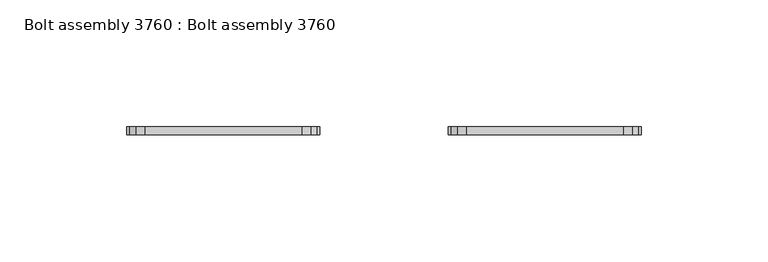
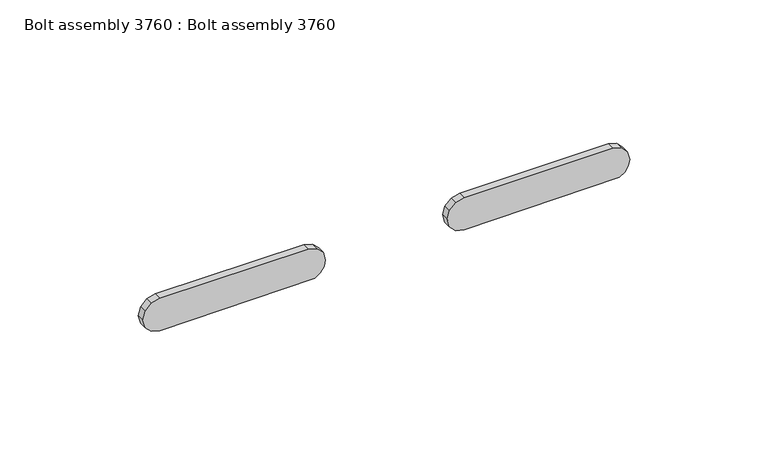
"""IFC4 building model written with IfcOpenShell, lengths in millimetres: proxy geometry, Bolt assembly 3760 : Bolt assembly 3760."""

from ifc_helpers import new_model, si_unit, frame, origin, place, context, project, spatial, polyline, outline, extrude, source, transform, mapped, element, save


def bolt_assembly_3760_bolt_assembly_3760_b0a450d4(model_context):
    return source(origin(), model_context, "Body", "SweptSolid", [
        extrude(outline(polyline([(-69.4525, 980.1177461), (-66.8372485, 977.5024946), (-65.88, 973.9299946), (-65.88, 912.0199947), (-66.8372485, 908.4474947), (-69.4525, 905.8322432), (-73.025, 904.8749948), (-76.5975, 905.8322432), (-79.2127515, 908.4474947), (-80.17, 912.0199947), (-79.6261192, 976.6642677), (-78.0772779, 978.9822725), (-75.7592731, 980.5311138), (-73.025, 981.0749946), (-69.4525, 980.1177461)])), frame((0.0, 819.0500061, 0.0), z_axis=(0.0, 1.0, 0.0), x_axis=(0.0, 0.0, 1.0)), (0.0, 0.0, 1.0), 3.275),
        extrude(outline(polyline([(-69.4525, 853.1177461), (-66.8372485, 850.5024946), (-65.88, 846.9299946), (-65.88, 785.0199947), (-66.8372485, 781.4474947), (-69.4525, 778.8322432), (-73.025, 777.8749948), (-76.5975, 778.8322432), (-79.2127515, 781.4474947), (-80.17, 785.0199947), (-79.6261192, 849.6642677), (-78.0772779, 851.9822725), (-75.7592731, 853.5311138), (-73.025, 854.0749946), (-69.4525, 853.1177461)])), frame((0.0, 819.0500061, 0.0), z_axis=(0.0, 1.0, 0.0), x_axis=(0.0, 0.0, 1.0)), (0.0, 0.0, 1.0), 3.275),
    ])


if __name__ == "__main__":
    model = new_model("IFC4")
    model_context = context("Model", 3, world=origin())
    ifc_project = project(units=[si_unit("LENGTHUNIT", "METRE", prefix="MILLI")], contexts=[model_context])
    site = spatial("IfcSite", under=ifc_project)
    building = spatial("IfcBuilding", under=site)
    placement = place(None, origin())
    bolt_assembly_3760_bolt_assembly_3760_shape = bolt_assembly_3760_bolt_assembly_3760_b0a450d4(model_context)
    element("IfcBuildingElementProxy", 1, Name="Bolt assembly 3760 : Bolt assembly 3760", ObjectType="Bolt assembly 3760 : Bolt assembly 3760", at=placement, inside=building, context=model_context, shape_type="MappedRepresentation", body=[
        mapped(bolt_assembly_3760_bolt_assembly_3760_shape, transform((0.0, 0.0, 0.0), x_axis=(1.0, 0.0, 0.0), y_axis=(0.0, 1.0, 0.0), z_axis=(0.0, 0.0, 1.0))),
    ])
    save(model, "model.ifc")
